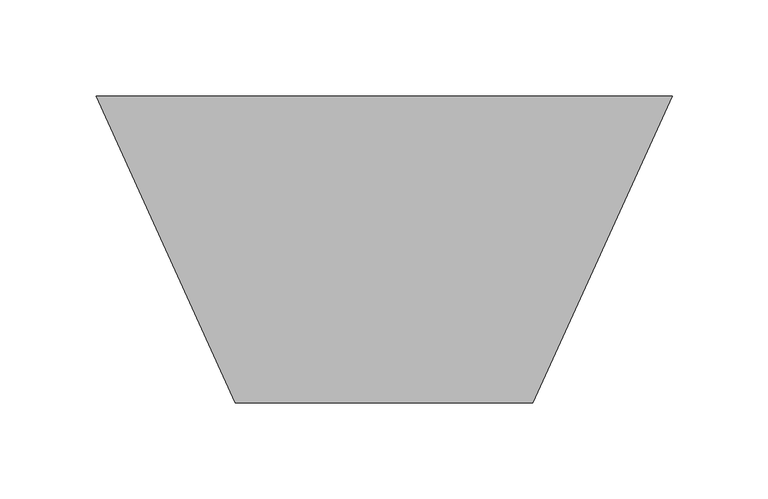
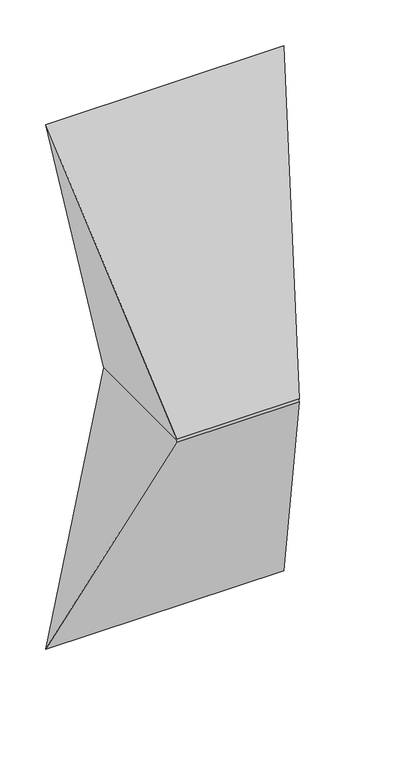
"""IFC4 building model written with IfcOpenShell, lengths in millimetres: proxy geometry."""

from ifc_helpers import new_model, si_unit, origin, place, context, project, spatial, faceted_brep, source, transform, mapped, element, save


def generic_models_d4824de4(model_context):
    return source(origin(), model_context, "Body", "Brep", [
        faceted_brep([(73.0, -160.0, 350.0), (72.5828571, -160.0, 348.0), (227.4171429, -160.0, 348.0), (227.0, -160.0, 350.0), (227.4171429, -160.0, 352.0), (72.5828571, -160.0, 352.0), (73.0, 0.0, 350.0), (0.0, 0.0, 700.0), (300.0, 0.0, 700.0), (227.0, 0.0, 350.0), (300.0, 0.0, 0.0), (0.0, 0.0, 0.0)], [[[0, 1, 2, 3, 4, 5]], [[6, 7, 8, 9, 10, 11]], [[6, 11, 1, 0]], [[11, 10, 2, 1]], [[10, 9, 3, 2]], [[9, 8, 4, 3]], [[8, 7, 5, 4]], [[7, 6, 0, 5]]]),
    ])


if __name__ == "__main__":
    model = new_model("IFC4")
    model_context = context("Model", 3, world=origin())
    ifc_project = project(units=[si_unit("LENGTHUNIT", "METRE", prefix="MILLI")], contexts=[model_context])
    site = spatial("IfcSite", under=ifc_project)
    building = spatial("IfcBuilding", under=site)
    placement = place(None, origin())
    generic_models_shape = generic_models_d4824de4(model_context)
    element("IfcBuildingElementProxy", 1, Name="Generic Models", at=placement, inside=building, context=model_context, shape_type="MappedRepresentation", body=[
        mapped(generic_models_shape, transform((0.0, 0.0, 0.0), x_axis=(1.0, 0.0, 0.0), y_axis=(0.0, 1.0, 0.0), z_axis=(0.0, 0.0, 1.0))),
    ])
    save(model, "model.ifc")
